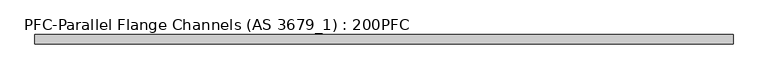
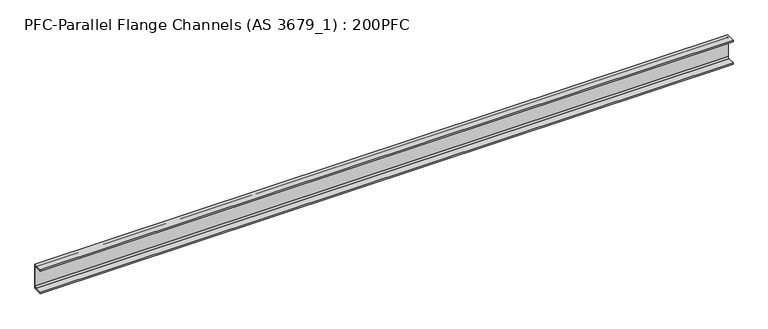
"""IFC4 building model written with IfcOpenShell, lengths in millimetres: beam geometry, PFC-Parallel Flange Channels (AS 3679_1) : 200PFC."""

from ifc_helpers import new_model, si_unit, point, frame, frame_2d, origin, place, context, project, spatial, polyline, circle_curve, trimmed, segment, composite_curve, outline, extrude, source, transform, mapped, element, save


def pfc_parallel_flange_channels_as_3679_1_200pfc_21a981df(model_context):
    return source(origin(), model_context, "Body", "SweptSolid", [
        extrude(outline(composite_curve([segment(polyline([(24.4, 100.0), (24.4, -100.0), (-50.6, -100.0), (-50.6, -88.0), (6.4, -88.0)]), True, "CONTINUOUS"), segment(trimmed(circle_curve(frame_2d((6.4, -76.0)), 12.0), [point((6.4, -88.0))], [point((18.4, -76.0))], True, "CARTESIAN"), True, "CONTINUOUS"), segment(polyline([(18.4, -76.0), (18.4, 76.0)]), True, "CONTINUOUS"), segment(trimmed(circle_curve(frame_2d((6.4, 76.0)), 12.0), [point((18.4, 76.0))], [point((6.4, 88.0))], True, "CARTESIAN"), True, "CONTINUOUS"), segment(polyline([(6.4, 88.0), (-50.6, 88.0), (-50.6, 100.0), (24.4, 100.0)]), True, "CONTINUOUS")], self_intersect=False)), frame((-2744.0, 0.0, 0.0), z_axis=(1.0, 0.0, 0.0), x_axis=(0.0, 1.0, 0.0)), (0.0, 0.0, 1.0), 5488.0),
    ])


if __name__ == "__main__":
    model = new_model("IFC4")
    model_context = context("Model", 3, world=origin())
    ifc_project = project(units=[si_unit("LENGTHUNIT", "METRE", prefix="MILLI")], contexts=[model_context])
    site = spatial("IfcSite", under=ifc_project)
    building = spatial("IfcBuilding", under=site)
    placement = place(None, origin())
    pfc_parallel_flange_channels_as_3679_1_200pfc_shape = pfc_parallel_flange_channels_as_3679_1_200pfc_21a981df(model_context)
    element("IfcBeam", 1, ObjectType="PFC-Parallel Flange Channels (AS 3679_1) : 200PFC", at=placement, inside=building, context=model_context, shape_type="MappedRepresentation", body=[
        mapped(pfc_parallel_flange_channels_as_3679_1_200pfc_shape, transform((0.0, 0.0, 0.0), x_axis=(1.0, 0.0, 0.0), y_axis=(0.0, 1.0, 0.0), z_axis=(0.0, 0.0, 1.0))),
    ])
    save(model, "model.ifc")
